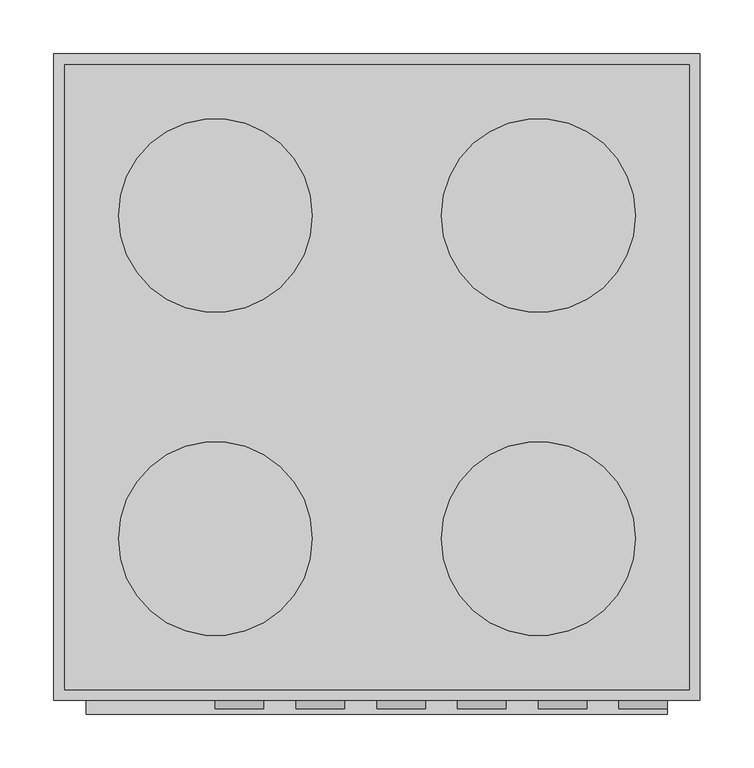
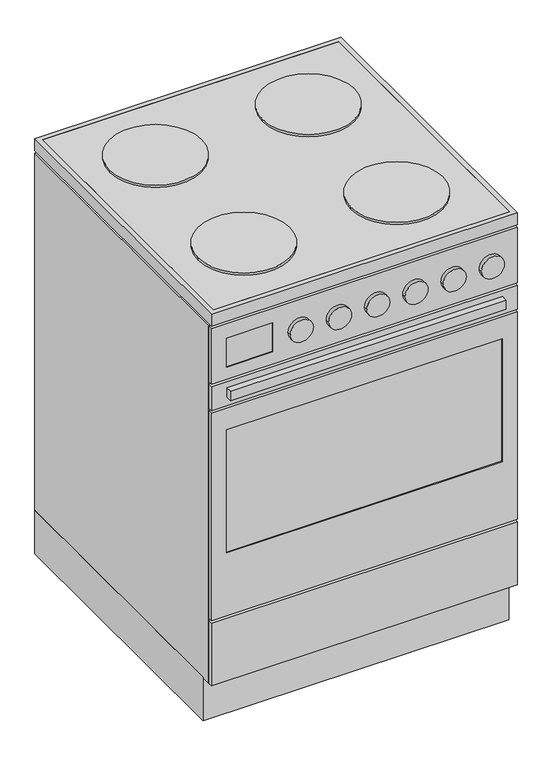
"""IFC4 building model written with IfcOpenShell, lengths in millimetres: proxy geometry."""

from ifc_helpers import new_model, si_unit, point, frame, frame_2d, origin, place, context, project, spatial, polyline, circle_curve, trimmed, segment, composite_curve, outline, extrude, source, transform, mapped, element, save


def generic_models_bffb19ca(model_context):
    return source(origin(), model_context, "Body", "SweptSolid", [
        extrude(outline(polyline([(26113.4900709, -69001.2395851), (26693.4900709, -69001.2395851), (26693.4900709, -69581.2395851), (26113.4900709, -69581.2395851), (26113.4900709, -69001.2395851)])), frame((0.0, 0.0, 8800.0), z_axis=(0.0, 0.0, 1.0), x_axis=(1.0, 0.0, 0.0)), (0.0, 0.0, 1.0), 60.0),
        extrude(outline(polyline([(26103.4900709, -68991.2395851), (26703.4900709, -68991.2395851), (26703.4900709, -69562.2395851), (26103.4900709, -69562.2395851), (26103.4900709, -68991.2395851)])), frame((0.0, 0.0, 8000.0), z_axis=(0.0, 0.0, 1.0), x_axis=(1.0, 0.0, 0.0)), (0.0, 0.0, 1.0), 90.0),
        extrude(outline(polyline([(26103.4900709, -69581.2395851), (26103.4900709, -68991.2395851), (26703.4900709, -68991.2395851), (26703.4900709, -69581.2395851), (26693.4900709, -69581.2395851), (26693.4900709, -69001.2395851), (26113.4900709, -69001.2395851), (26113.4900709, -69581.2395851), (26103.4900709, -69581.2395851)])), frame((0.0, 0.0, 8090.0), z_axis=(0.0, 0.0, 1.0), x_axis=(1.0, 0.0, 0.0)), (0.0, 0.0, 1.0), 740.0),
        extrude(outline(polyline([(26103.4900709, -68991.2395851), (26703.4900709, -68991.2395851), (26703.4900709, -69591.2395851), (26103.4900709, -69591.2395851), (26103.4900709, -68991.2395851)]), holes=[polyline([(26693.4900709, -69581.2395851), (26693.4900709, -69001.2395851), (26113.4900709, -69001.2395851), (26113.4900709, -69581.2395851), (26693.4900709, -69581.2395851)])]), frame((0.0, 0.0, 8835.0), z_axis=(0.0, 0.0, 1.0), x_axis=(1.0, 0.0, 0.0)), (0.0, 0.0, 1.0), 25.0),
        extrude(outline(polyline([(26113.4900709, -69001.2395851), (26693.4900709, -69001.2395851), (26693.4900709, -69581.2395851), (26113.4900709, -69581.2395851), (26113.4900709, -69001.2395851)])), frame((0.0, 0.0, 8850.0), z_axis=(0.0, 0.0, 1.0), x_axis=(1.0, 0.0, 0.0)), (0.0, 0.0, 1.0), 10.0),
        extrude(outline(polyline([(26223.4900709, -69583.2395851), (26223.4900709, -69589.2395851), (26133.4900709, -69589.2395851), (26133.4900709, -69583.2395851), (26223.4900709, -69583.2395851)])), frame((0.0, 0.0, 8740.0), z_axis=(0.0, 0.0, 1.0), x_axis=(1.0, 0.0, 0.0)), (0.0, 0.0, 1.0), 60.0),
        extrude(outline(composite_curve([segment(trimmed(circle_curve(frame_2d((8770.0, 26275.9900709)), 22.5), [point((8770.0, 26253.4900709))], [point((8770.0, 26298.4900709))], False, "CARTESIAN"), True, "CONTINUOUS"), segment(trimmed(circle_curve(frame_2d((8770.0, 26275.9900709)), 22.5), [point((8770.0, 26298.4900709))], [point((8770.0, 26253.4900709))], False, "CARTESIAN"), True, "CONTINUOUS")], self_intersect=False)), frame((0.0, -69599.2395851, 0.0), z_axis=(0.0, 1.0, 0.0), x_axis=(0.0, 0.0, 1.0)), (0.0, 0.0, 1.0), 8.0),
        extrude(outline(composite_curve([segment(trimmed(circle_curve(frame_2d((8770.0, 26350.9900709)), 22.5), [point((8770.0, 26328.4900709))], [point((8770.0, 26373.4900709))], False, "CARTESIAN"), True, "CONTINUOUS"), segment(trimmed(circle_curve(frame_2d((8770.0, 26350.9900709)), 22.5), [point((8770.0, 26373.4900709))], [point((8770.0, 26328.4900709))], False, "CARTESIAN"), True, "CONTINUOUS")], self_intersect=False)), frame((0.0, -69599.2395851, 0.0), z_axis=(0.0, 1.0, 0.0), x_axis=(0.0, 0.0, 1.0)), (0.0, 0.0, 1.0), 8.0),
        extrude(outline(composite_curve([segment(trimmed(circle_curve(frame_2d((8770.0, 26425.9900709)), 22.5), [point((8770.0, 26403.4900709))], [point((8770.0, 26448.4900709))], False, "CARTESIAN"), True, "CONTINUOUS"), segment(trimmed(circle_curve(frame_2d((8770.0, 26425.9900709)), 22.5), [point((8770.0, 26448.4900709))], [point((8770.0, 26403.4900709))], False, "CARTESIAN"), True, "CONTINUOUS")], self_intersect=False)), frame((0.0, -69599.2395851, 0.0), z_axis=(0.0, 1.0, 0.0), x_axis=(0.0, 0.0, 1.0)), (0.0, 0.0, 1.0), 8.0),
        extrude(outline(composite_curve([segment(trimmed(circle_curve(frame_2d((8770.0, 26500.9900709)), 22.5), [point((8770.0, 26478.4900709))], [point((8770.0, 26523.4900709))], False, "CARTESIAN"), True, "CONTINUOUS"), segment(trimmed(circle_curve(frame_2d((8770.0, 26500.9900709)), 22.5), [point((8770.0, 26523.4900709))], [point((8770.0, 26478.4900709))], False, "CARTESIAN"), True, "CONTINUOUS")], self_intersect=False)), frame((0.0, -69599.2395851, 0.0), z_axis=(0.0, 1.0, 0.0), x_axis=(0.0, 0.0, 1.0)), (0.0, 0.0, 1.0), 8.0),
        extrude(outline(composite_curve([segment(trimmed(circle_curve(frame_2d((8770.0, 26575.9900709)), 22.5), [point((8770.0, 26553.4900709))], [point((8770.0, 26598.4900709))], False, "CARTESIAN"), True, "CONTINUOUS"), segment(trimmed(circle_curve(frame_2d((8770.0, 26575.9900709)), 22.5), [point((8770.0, 26598.4900709))], [point((8770.0, 26553.4900709))], False, "CARTESIAN"), True, "CONTINUOUS")], self_intersect=False)), frame((0.0, -69599.2395851, 0.0), z_axis=(0.0, 1.0, 0.0), x_axis=(0.0, 0.0, 1.0)), (0.0, 0.0, 1.0), 8.0),
        extrude(outline(composite_curve([segment(trimmed(circle_curve(frame_2d((8770.0, 26650.9900709)), 22.5), [point((8770.0, 26628.4900709))], [point((8770.0, 26673.4900709))], False, "CARTESIAN"), True, "CONTINUOUS"), segment(trimmed(circle_curve(frame_2d((8770.0, 26650.9900709)), 22.5), [point((8770.0, 26673.4900709))], [point((8770.0, 26628.4900709))], False, "CARTESIAN"), True, "CONTINUOUS")], self_intersect=False)), frame((0.0, -69599.2395851, 0.0), z_axis=(0.0, 1.0, 0.0), x_axis=(0.0, 0.0, 1.0)), (0.0, 0.0, 1.0), 8.0),
        extrude(outline(polyline([(26703.4900709, -69581.2395851), (26703.4900709, -69591.2395851), (26103.4900709, -69591.2395851), (26103.4900709, -69581.2395851), (26703.4900709, -69581.2395851)])), frame((0.0, 0.0, 8090.0), z_axis=(0.0, 0.0, 1.0), x_axis=(1.0, 0.0, 0.0)), (0.0, 0.0, 1.0), 130.0),
        extrude(outline(polyline([(26703.4900709, -69581.2395851), (26703.4900709, -69591.2395851), (26103.4900709, -69591.2395851), (26103.4900709, -69581.2395851), (26703.4900709, -69581.2395851)])), frame((0.0, 0.0, 8660.0), z_axis=(0.0, 0.0, 1.0), x_axis=(1.0, 0.0, 0.0)), (0.0, 0.0, 1.0), 50.0),
        extrude(outline(polyline([(8655.0, 26703.4900709), (8655.0, 26103.4900709), (8225.0, 26103.4900709), (8225.0, 26703.4900709), (8655.0, 26703.4900709)]), holes=[polyline([(8610.0, 26133.4900709), (8610.0, 26673.4900709), (8355.0, 26673.4900709), (8355.0, 26133.4900709), (8610.0, 26133.4900709)])]), frame((0.0, -69591.2395851, 0.0), z_axis=(0.0, 1.0, 0.0), x_axis=(0.0, 0.0, 1.0)), (0.0, 0.0, 1.0), 10.0),
        extrude(outline(polyline([(8715.0, 26703.4900709), (8830.0, 26703.4900709), (8830.0, 26103.4900709), (8715.0, 26103.4900709), (8715.0, 26703.4900709)]), holes=[polyline([(8800.0, 26133.4900709), (8800.0, 26223.4900709), (8740.0, 26223.4900709), (8740.0, 26133.4900709), (8800.0, 26133.4900709)])]), frame((0.0, -69591.2395851, 0.0), z_axis=(0.0, 1.0, 0.0), x_axis=(0.0, 0.0, 1.0)), (0.0, 0.0, 1.0), 10.0),
        extrude(outline(composite_curve([segment(trimmed(circle_curve(frame_2d((26253.4900709, -69441.2395851)), 90.0), [point((26163.4900709, -69441.2395851))], [point((26343.4900709, -69441.2395851))], False, "CARTESIAN"), True, "CONTINUOUS"), segment(trimmed(circle_curve(frame_2d((26253.4900709, -69441.2395851)), 90.0), [point((26343.4900709, -69441.2395851))], [point((26163.4900709, -69441.2395851))], False, "CARTESIAN"), True, "CONTINUOUS")], self_intersect=False)), frame((0.0, 0.0, 8860.0), z_axis=(0.0, 0.0, 1.0), x_axis=(1.0, 0.0, 0.0)), (0.0, 0.0, 1.0), 5.0),
        extrude(outline(composite_curve([segment(trimmed(circle_curve(frame_2d((26253.4900709, -69141.2395851)), 90.0), [point((26163.4900709, -69141.2395851))], [point((26343.4900709, -69141.2395851))], False, "CARTESIAN"), True, "CONTINUOUS"), segment(trimmed(circle_curve(frame_2d((26253.4900709, -69141.2395851)), 90.0), [point((26343.4900709, -69141.2395851))], [point((26163.4900709, -69141.2395851))], False, "CARTESIAN"), True, "CONTINUOUS")], self_intersect=False)), frame((0.0, 0.0, 8860.0), z_axis=(0.0, 0.0, 1.0), x_axis=(1.0, 0.0, 0.0)), (0.0, 0.0, 1.0), 5.0),
        extrude(outline(composite_curve([segment(trimmed(circle_curve(frame_2d((26553.4900709, -69441.2395851)), 90.0), [point((26463.4900709, -69441.2395851))], [point((26643.4900709, -69441.2395851))], False, "CARTESIAN"), True, "CONTINUOUS"), segment(trimmed(circle_curve(frame_2d((26553.4900709, -69441.2395851)), 90.0), [point((26643.4900709, -69441.2395851))], [point((26463.4900709, -69441.2395851))], False, "CARTESIAN"), True, "CONTINUOUS")], self_intersect=False)), frame((0.0, 0.0, 8860.0), z_axis=(0.0, 0.0, 1.0), x_axis=(1.0, 0.0, 0.0)), (0.0, 0.0, 1.0), 5.0),
        extrude(outline(composite_curve([segment(trimmed(circle_curve(frame_2d((26553.4900709, -69141.2395851)), 90.0), [point((26463.4900709, -69141.2395851))], [point((26643.4900709, -69141.2395851))], False, "CARTESIAN"), True, "CONTINUOUS"), segment(trimmed(circle_curve(frame_2d((26553.4900709, -69141.2395851)), 90.0), [point((26643.4900709, -69141.2395851))], [point((26463.4900709, -69141.2395851))], False, "CARTESIAN"), True, "CONTINUOUS")], self_intersect=False)), frame((0.0, 0.0, 8860.0), z_axis=(0.0, 0.0, 1.0), x_axis=(1.0, 0.0, 0.0)), (0.0, 0.0, 1.0), 5.0),
        extrude(outline(polyline([(26673.4900709, -69583.2395851), (26673.4900709, -69589.2395851), (26133.4900709, -69589.2395851), (26133.4900709, -69583.2395851), (26673.4900709, -69583.2395851)])), frame((0.0, 0.0, 8355.0), z_axis=(0.0, 0.0, 1.0), x_axis=(1.0, 0.0, 0.0)), (0.0, 0.0, 1.0), 255.0),
        extrude(outline(polyline([(26673.4900709, -69591.2395851), (26673.4900709, -69603.9395851), (26133.4900709, -69603.9395851), (26133.4900709, -69591.2395851), (26673.4900709, -69591.2395851)])), frame((0.0, 0.0, 8678.5117601), z_axis=(0.0, 0.0, 1.0), x_axis=(1.0, 0.0, 0.0)), (0.0, 0.0, 1.0), 19.05),
    ])


if __name__ == "__main__":
    model = new_model("IFC4")
    model_context = context("Model", 3, world=origin())
    ifc_project = project(units=[si_unit("LENGTHUNIT", "METRE", prefix="MILLI")], contexts=[model_context])
    site = spatial("IfcSite", under=ifc_project)
    building = spatial("IfcBuilding", under=site)
    placement = place(None, origin())
    generic_models_shape = generic_models_bffb19ca(model_context)
    element("IfcBuildingElementProxy", 1, Name="Generic Models", at=placement, inside=building, context=model_context, shape_type="MappedRepresentation", body=[
        mapped(generic_models_shape, transform((0.0, 0.0, 0.0), x_axis=(1.0, 0.0, 0.0), y_axis=(0.0, 1.0, 0.0), z_axis=(0.0, 0.0, 1.0))),
    ])
    save(model, "model.ifc")
